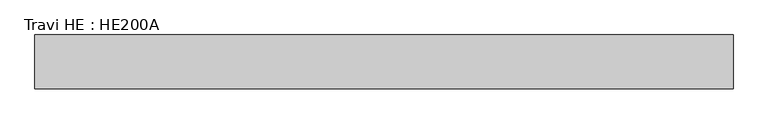
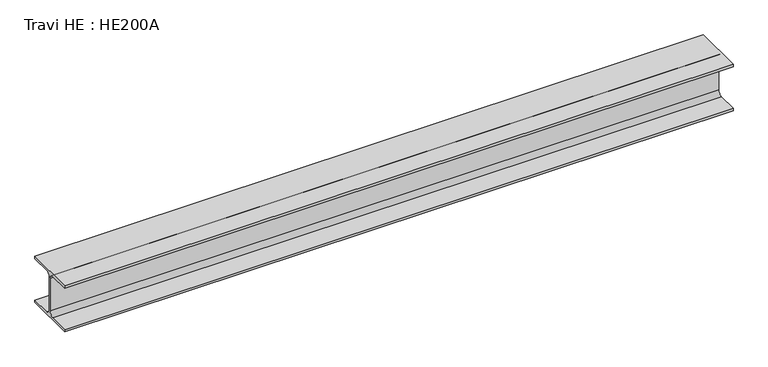
"""IFC4 building model written with IfcOpenShell, lengths in millimetres: beam geometry, Travi HE : HE200A."""

from ifc_helpers import new_model, si_unit, point, frame, frame_2d, origin, place, context, project, spatial, polyline, circle_curve, trimmed, segment, composite_curve, outline, extrude, source, transform, mapped, element, save


def travi_he_he200a_d02c7d33(model_context):
    return source(origin(), model_context, "Body", "SweptSolid", [
        extrude(outline(composite_curve([segment(polyline([(100.0, -85.0), (100.0, -95.0), (-100.0, -95.0), (-100.0, -85.0), (-21.25, -85.0)]), True, "CONTINUOUS"), segment(trimmed(circle_curve(frame_2d((-21.25, -67.0)), 18.0), [point((-21.25, -85.0))], [point((-3.25, -67.0))], True, "CARTESIAN"), True, "CONTINUOUS"), segment(polyline([(-3.25, -67.0), (-3.25, 67.0)]), True, "CONTINUOUS"), segment(trimmed(circle_curve(frame_2d((-21.25, 67.0)), 18.0), [point((-3.25, 67.0))], [point((-21.25, 85.0))], True, "CARTESIAN"), True, "CONTINUOUS"), segment(polyline([(-21.25, 85.0), (-100.0, 85.0), (-100.0, 95.0), (100.0, 95.0), (100.0, 85.0), (21.25, 85.0)]), True, "CONTINUOUS"), segment(trimmed(circle_curve(frame_2d((21.25, 67.0)), 18.0), [point((21.25, 85.0))], [point((3.25, 67.0))], True, "CARTESIAN"), True, "CONTINUOUS"), segment(polyline([(3.25, 67.0), (3.25, -67.0)]), True, "CONTINUOUS"), segment(trimmed(circle_curve(frame_2d((21.25, -67.0)), 18.0), [point((3.25, -67.0))], [point((21.25, -85.0))], True, "CARTESIAN"), True, "CONTINUOUS"), segment(polyline([(21.25, -85.0), (100.0, -85.0)]), True, "CONTINUOUS")], self_intersect=False)), frame((-1300.0, 0.0, 0.0), z_axis=(1.0, 0.0, 0.0), x_axis=(0.0, 1.0, 0.0)), (0.0, 0.0, 1.0), 2600.0),
    ])


if __name__ == "__main__":
    model = new_model("IFC4")
    model_context = context("Model", 3, world=origin())
    ifc_project = project(units=[si_unit("LENGTHUNIT", "METRE", prefix="MILLI")], contexts=[model_context])
    site = spatial("IfcSite", under=ifc_project)
    building = spatial("IfcBuilding", under=site)
    placement = place(None, origin())
    travi_he_he200a_shape = travi_he_he200a_d02c7d33(model_context)
    element("IfcBeam", 1, ObjectType="Travi HE : HE200A", at=placement, inside=building, context=model_context, shape_type="MappedRepresentation", body=[
        mapped(travi_he_he200a_shape, transform((0.0, 0.0, 0.0), x_axis=(1.0, 0.0, 0.0), y_axis=(0.0, 1.0, 0.0), z_axis=(0.0, 0.0, 1.0))),
    ])
    save(model, "model.ifc")
